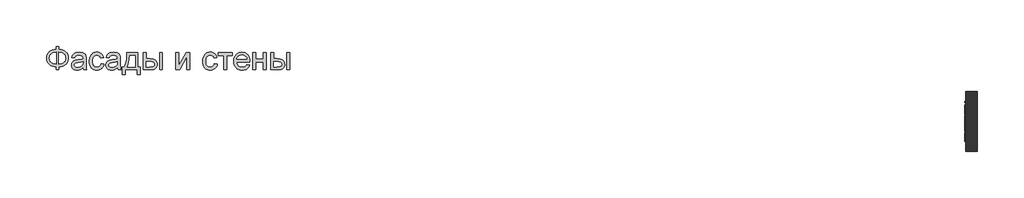
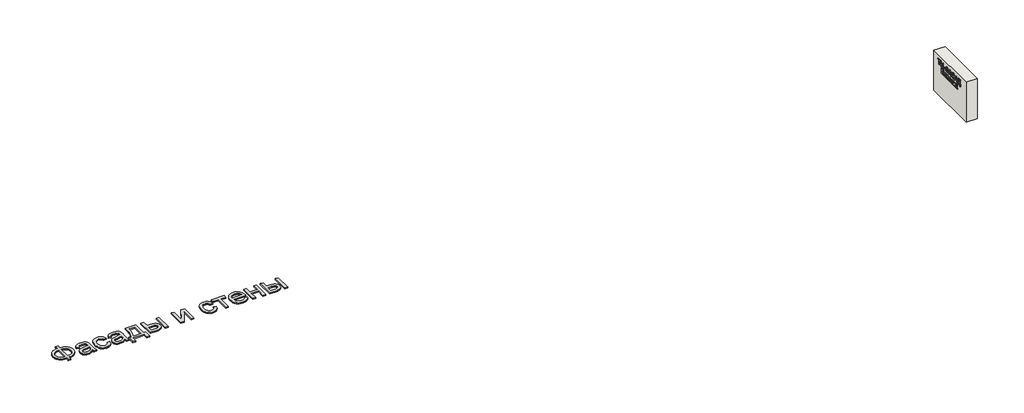
# One storey: 2 proxies, 1 wall.
"""IFC4 building model written with IfcOpenShell, lengths in millimetres."""

from ifc_helpers import new_model, si_unit, frame, origin, origin_with_axes, place, context, project, spatial, polyline, outline, extrude, element, save

model = new_model("IFC4")

# Units and contexts
model_context = context("Model", 3, world=origin())
ifc_project = project(units=[si_unit("LENGTHUNIT", "METRE", prefix="MILLI")], contexts=[model_context])

# Site, building, storey
site = spatial("IfcSite", under=ifc_project)
building = spatial("IfcBuilding", under=site)
storey = spatial("IfcBuildingStorey", under=building, Elevation=0.0)

# Proxies
placement = place(None, origin())
element("IfcBuildingElementProxy", 1, Name="Generic Models", at=placement, inside=storey, context=model_context, shape_type="SweptSolid", body=[
    extrude(outline(polyline([(-1939.8736325, -20885.7211043), (-1939.8736325, -20787.7817103), (-1841.9342386, -20787.7817103), (-1841.9342386, -20885.7211043), (-1772.0723186, -20894.3529698), (-1709.9695132, -20912.2144755), (-1655.6258224, -20939.3056213), (-1609.0412461, -20975.6264073), (-1571.6743546, -21019.0607113), (-1544.9837177, -21067.4924111), (-1528.9693356, -21120.9215067), (-1523.6312083, -21179.3479982), (-1528.8019587, -21236.6028514), (-1544.3142102, -21289.3863505), (-1570.1679625, -21337.6984954), (-1606.3632158, -21381.5392861), (-1628.1416397, -21401.1761824), (-1652.1109076, -21418.4817577), (-1706.6219753, -21446.0989452), (-1769.896419, -21464.3908486), (-1841.9342386, -21473.3574679), (-1841.9342386, -21571.2968619), (-1939.8736325, -21571.2968619), (-1939.8736325, -21473.3574679), (-2005.3060425, -21466.0586398), (-2065.0237272, -21449.518216), (-2119.0266865, -21423.7361966), (-2167.3149204, -21388.7125816), (-2207.0669327, -21345.8939854), (-2222.6837947, -21322.10405), (-2235.4612272, -21296.7270228), (-2245.3992303, -21269.7629041), (-2252.4978039, -21241.2116938), (-2258.1766628, -21179.3479982), (-2252.5157371, -21117.2033486), (-2245.4395801, -21088.5878775), (-2235.5329602, -21061.6103088), (-2222.7958774, -21036.2706426), (-2207.2283318, -21012.5688789), (-2188.8303234, -20990.5050176), (-2167.6018522, -20970.0790588), (-2119.4032845, -20935.3961753), (-2065.382392, -20909.775555), (-2005.5391746, -20893.217198), (-1939.8736325, -20885.7211043)]), holes=[polyline([(-1841.9342386, -20983.6604982), (-1841.9342386, -21375.418074), (-1793.3949393, -21370.2234125), (-1750.3073446, -21359.2303372), (-1712.6714545, -21342.4388481), (-1680.4872689, -21319.8489452), (-1654.7112272, -21291.9627591), (-1636.2997689, -21259.2824206), (-1625.2528939, -21221.8079296), (-1621.5706022, -21179.5392861), (-1625.1871387, -21137.922217), (-1636.036748, -21100.872146), (-1654.1194303, -21068.389073), (-1679.4351855, -21040.4729982), (-1711.2905951, -21017.6977852), (-1748.9922405, -21000.6372975), (-1792.5401216, -20989.2915352), (-1841.9342386, -20983.6604982)]), polyline([(-1939.8736325, -20983.6604982), (-1986.781007, -20988.5861611), (-2028.989873, -20999.3461043), (-2066.5002305, -21015.9403278), (-2099.3120795, -21038.3688316), (-2125.9668498, -21066.2012179), (-2145.0059715, -21099.0070891), (-2156.4294445, -21136.7864452), (-2160.2372689, -21179.5392861), (-2156.4772665, -21221.9035735), (-2145.1972594, -21259.4737085), (-2126.3972476, -21292.2496909), (-2100.077231, -21320.231521), (-2067.5044919, -21342.8692459), (-2029.9463124, -21359.612913), (-1987.4026926, -21370.4625224), (-1939.8736325, -21375.418074), (-1939.8736325, -20983.6604982)])]), origin_with_axes(), (0.0, 0.0, 1.0), 40.0),
    extrude(outline(polyline([(-1033.9342386, -21497.8423164), (-1080.7280359, -21537.964949), (-1104.6449985, -21552.8256261), (-1128.9086704, -21564.2192103), (-1179.5760473, -21578.7092672), (-1233.8300719, -21583.5392861), (-1277.4377305, -21580.6341014), (-1315.677373, -21571.9185475), (-1348.5489995, -21557.3926242), (-1376.0526098, -21537.0563316), (-1397.7697618, -21512.2008628), (-1413.2820132, -21484.1174111), (-1422.589364, -21452.8059764), (-1425.6918143, -21418.2665588), (-1421.0052613, -21377.6657066), (-1406.9456022, -21340.7949679), (-1385.2583389, -21309.2324679), (-1357.6889734, -21284.5563316), (-1325.2895889, -21265.9057634), (-1289.1122689, -21252.4199679), (-1204.3717386, -21237.6908013), (-1104.232534, -21222.1964831), (-1034.5081022, -21204.0241346), (-1033.9342386, -21182.2173164), (-1035.619963, -21158.4737085), (-1040.6771363, -21138.5080361), (-1049.1057585, -21122.3202994), (-1060.9058295, -21109.9104982), (-1081.3018996, -21097.5246081), (-1106.1454128, -21088.6775437), (-1135.4363693, -21083.369305), (-1169.1747689, -21081.5998922), (-1227.5175719, -21086.3103562), (-1250.0895416, -21092.1984362), (-1268.2618901, -21100.4417482), (-1283.1943001, -21111.6858888), (-1296.0464545, -21126.5764547), (-1306.8183532, -21145.1134457), (-1315.5099961, -21167.2968619), (-1413.4493901, -21155.0544376), (-1396.4486799, -21101.4938316), (-1384.810008, -21079.0175058), (-1371.0791249, -21059.4104982), (-1354.6642338, -21042.2782776), (-1334.9735378, -21027.2263126), (-1312.0070369, -21014.2546033), (-1285.764731, -21003.3631497), (-1225.5807821, -20988.5861611), (-1156.5497689, -20983.6604982), (-1090.3402518, -20988.0122975), (-1037.8556401, -21001.0676952), (-998.2829602, -21020.6986138), (-970.8092386, -21044.7769755), (-952.5890681, -21074.5461516), (-940.7770416, -21111.2495134), (-937.1903939, -21145.1074679), (-935.9948446, -21196.9464831), (-935.9948446, -21318.7968619), (-934.7514734, -21424.9377236), (-931.0213598, -21488.94743), (-923.6567764, -21531.0068524), (-911.5099961, -21571.2968619), (-1009.4493901, -21571.2968619), (-1025.1349961, -21537.2476194), (-1033.9342386, -21497.8423164)]), holes=[polyline([(-1033.9342386, -21301.9635285), (-1099.7372689, -21318.2708202), (-1191.9380264, -21331.9957255), (-1242.7488693, -21339.5037747), (-1276.2003371, -21347.8726194), (-1298.1267102, -21358.7282066), (-1314.3622689, -21373.6964831), (-1324.4048825, -21391.6297217), (-1327.7524204, -21411.3801952), (-1325.9292078, -21426.599537), (-1320.45957, -21440.5037747), (-1311.343507, -21453.0929083), (-1298.5810189, -21464.3669376), (-1282.2916604, -21473.6563552), (-1262.5949867, -21480.2916535), (-1212.9796931, -21485.5998922), (-1160.3755264, -21479.7417009), (-1136.3688977, -21472.4189618), (-1113.8925719, -21462.167127), (-1076.2088598, -21436.2715304), (-1050.0024204, -21405.450271), (-1038.3816818, -21373.6964831), (-1034.5081022, -21329.700271), (-1033.9342386, -21301.9635285)])]), origin_with_axes(), (0.0, 0.0, 1.0), 40.0),
    extrude(outline(polyline([(-434.0554507, -21363.1756497), (-336.1160568, -21375.418074), (-346.7684005, -21421.6320299), (-363.4224014, -21462.5257918), (-386.0780596, -21498.0993595), (-414.7353749, -21528.3527331), (-448.1868427, -21552.49685), (-485.2249583, -21569.7426478), (-525.8497215, -21580.0901265), (-570.0611325, -21583.5392861), (-624.9906425, -21578.7272004), (-674.2412935, -21564.2909433), (-717.8130856, -21540.2305148), (-755.7060189, -21506.5459149), (-786.3778347, -21463.8707847), (-808.2862746, -21412.8387653), (-821.4313385, -21353.4498567), (-825.8130264, -21285.7040588), (-823.9419919, -21240.6736966), (-818.3288882, -21198.5485191), (-808.9737154, -21159.3285262), (-795.8764734, -21123.0137179), (-778.9474961, -21090.3333794), (-758.0971174, -21062.0167956), (-733.3253371, -21038.0639665), (-704.6321552, -21018.4748922), (-673.3147428, -21003.2435948), (-640.6702708, -20992.3640967), (-606.698739, -20985.8363978), (-571.4001477, -20983.6604982), (-527.9479104, -20986.6493713), (-488.6442291, -20995.6159906), (-453.4891036, -21010.5603562), (-422.482534, -21031.4824679), (-396.150562, -21057.9041062), (-375.0192291, -21089.3470513), (-359.0885354, -21125.8113031), (-348.358481, -21167.2968619), (-446.2978749, -21179.5392861), (-453.9434123, -21156.6624513), (-464.0637367, -21136.8103562), (-476.6588479, -21119.9830006), (-491.7287461, -21106.1803846), (-508.8908555, -21095.4264192), (-527.7626003, -21087.7450153), (-548.3439805, -21083.1361729), (-570.6349961, -21081.5998922), (-603.9131093, -21084.6246317), (-633.927373, -21093.6988505), (-660.6777873, -21108.8225484), (-684.1643522, -21129.9957255), (-703.2871623, -21157.7085569), (-716.9463124, -21192.4512179), (-725.1418025, -21234.2237085), (-727.8736325, -21283.0260285), (-725.20158, -21332.5636114), (-717.1854223, -21374.8202994), (-703.8251595, -21409.7960924), (-685.1207916, -21437.4909906), (-662.1004909, -21458.5386351), (-635.7924299, -21473.5726668), (-606.1966084, -21482.5930858), (-573.3130264, -21485.5998922), (-546.8136775, -21483.7228799), (-522.5978276, -21478.0918429), (-500.6654767, -21468.7067814), (-481.0166249, -21455.5676952), (-464.2012248, -21438.5311185), (-450.7692291, -21417.4535853), (-440.7206377, -21392.3350958), (-434.0554507, -21363.1756497)])), origin_with_axes(), (0.0, 0.0, 1.0), 40.0),
    extrude(outline(polyline([(116.8536402, -21497.8423164), (70.0598429, -21537.964949), (46.1428803, -21552.8256261), (21.8792084, -21564.2192103), (-28.7881685, -21578.7092672), (-83.0421931, -21583.5392861), (-126.6498517, -21580.6341014), (-164.8894943, -21571.9185475), (-197.7611207, -21557.3926242), (-225.264731, -21537.0563316), (-246.981883, -21512.2008628), (-262.4941344, -21484.1174111), (-271.8014853, -21452.8059764), (-274.9039355, -21418.2665588), (-270.2173825, -21377.6657066), (-256.1577234, -21340.7949679), (-234.4704602, -21309.2324679), (-206.9010946, -21284.5563316), (-174.5017102, -21265.9057634), (-138.3243901, -21252.4199679), (-53.5838598, -21237.6908013), (46.5553448, -21222.1964831), (116.2797766, -21204.0241346), (116.8536402, -21182.2173164), (115.1679158, -21158.4737085), (110.1107425, -21138.5080361), (101.6821203, -21122.3202994), (89.8820493, -21109.9104982), (69.4859792, -21097.5246081), (44.642466, -21088.6775437), (15.3515095, -21083.369305), (-18.3868901, -21081.5998922), (-76.7296931, -21086.3103562), (-99.3016628, -21092.1984362), (-117.4740113, -21100.4417482), (-132.4064213, -21111.6858888), (-145.2585757, -21126.5764547), (-156.0304744, -21145.1134457), (-164.7221174, -21167.2968619), (-262.6615113, -21155.0544376), (-245.6608011, -21101.4938316), (-234.0221292, -21079.0175058), (-220.2912461, -21059.4104982), (-203.876355, -21042.2782776), (-184.185659, -21027.2263126), (-161.2191581, -21014.2546033), (-134.9768522, -21003.3631497), (-74.7929033, -20988.5861611), (-5.7618901, -20983.6604982), (60.447627, -20988.0122975), (112.9322387, -21001.0676952), (152.5049186, -21020.6986138), (179.9786402, -21044.7769755), (198.1988107, -21074.5461516), (210.0108372, -21111.2495134), (213.5974849, -21145.1074679), (214.7930342, -21196.9464831), (214.7930342, -21318.7968619), (216.0364054, -21424.9377236), (219.766519, -21488.94743), (227.1311023, -21531.0068524), (239.2778826, -21571.2968619), (141.3384887, -21571.2968619), (125.6528826, -21537.2476194), (116.8536402, -21497.8423164)]), holes=[polyline([(116.8536402, -21301.9635285), (51.0506099, -21318.2708202), (-41.1501477, -21331.9957255), (-91.9609905, -21339.5037747), (-125.4124583, -21347.8726194), (-147.3388314, -21358.7282066), (-163.5743901, -21373.6964831), (-173.6170037, -21391.6297217), (-176.9645416, -21411.3801952), (-175.141329, -21426.599537), (-169.6716912, -21440.5037747), (-160.5556282, -21453.0929083), (-147.7931401, -21464.3669376), (-131.5037817, -21473.6563552), (-111.8071079, -21480.2916535), (-62.1918143, -21485.5998922), (-9.5876477, -21479.7417009), (14.4189811, -21472.4189618), (36.8953069, -21462.167127), (74.579019, -21436.2715304), (100.7854584, -21405.450271), (112.406197, -21373.6964831), (116.2797766, -21329.700271), (116.8536402, -21301.9635285)])]), origin_with_axes(), (0.0, 0.0, 1.0), 40.0),
    extrude(outline(polyline([(435.1566705, -20995.9029225), (802.4293978, -20995.9029225), (802.4293978, -21473.3574679), (875.8839432, -21473.3574679), (875.8839432, -21730.448377), (777.9445493, -21730.448377), (777.9445493, -21571.2968619), (373.9445493, -21571.2968619), (373.9445493, -21730.448377), (276.0051554, -21730.448377), (276.0051554, -21473.3574679), (337.2172766, -21473.3574679), (361.1342392, -21436.3970631), (381.7156194, -21392.9448259), (398.9614172, -21343.0007563), (412.8716326, -21286.5648543), (423.4462657, -21223.6371199), (430.6853164, -21154.2175531), (434.5887846, -21078.306154), (435.1566705, -20995.9029225)]), holes=[polyline([(520.8536402, -21093.8423164), (512.8195493, -21213.7559054), (497.8990948, -21316.979627), (476.0922766, -21403.5134812), (462.6064811, -21440.521708), (447.3990948, -21473.3574679), (704.4900039, -21473.3574679), (704.4900039, -21093.8423164), (520.8536402, -21093.8423164)])]), origin_with_axes(), (0.0, 0.0, 1.0), 40.0),
    extrude(outline(polyline([(986.0657614, -20995.9029225), (1084.0051554, -20995.9029225), (1084.0051554, -21204.0241346), (1205.0903826, -21204.0241346), (1260.8089551, -21207.0907184), (1309.7487633, -21216.2904698), (1351.9098074, -21231.6233888), (1387.2920872, -21253.0894755), (1415.2858727, -21279.9474892), (1435.2814338, -21311.4561895), (1447.2787704, -21347.6155763), (1451.2778826, -21388.4256497), (1447.924367, -21424.8361019), (1437.8638201, -21458.5087463), (1421.096242, -21489.443583), (1397.6216326, -21517.6406119), (1366.7824399, -21541.1152212), (1327.9211118, -21557.8827994), (1281.0376483, -21567.9433462), (1226.1320493, -21571.2968619), (986.0657614, -21571.2968619), (986.0657614, -20995.9029225)]), holes=[polyline([(1084.0051554, -21473.3574679), (1184.6225796, -21473.3574679), (1262.6202122, -21468.2166062), (1291.8274802, -21461.790529), (1314.5070493, -21452.794021), (1331.495804, -21441.0716606), (1343.6306289, -21426.4680266), (1350.9115237, -21408.983119), (1353.3384887, -21388.6169376), (1351.5391871, -21372.1542245), (1346.1412823, -21356.6240399), (1337.1447742, -21342.0263836), (1324.5496629, -21328.3612558), (1305.8094286, -21316.8122501), (1278.3775512, -21308.5629603), (1242.2540308, -21303.6133865), (1197.4388675, -21301.9635285), (1084.0051554, -21301.9635285), (1084.0051554, -21473.3574679)])]), origin_with_axes(), (0.0, 0.0, 1.0), 40.0),
    extrude(outline(polyline([(1524.7324281, -20995.9029225), (1622.671822, -20995.9029225), (1622.671822, -21571.2968619), (1524.7324281, -21571.2968619), (1524.7324281, -20995.9029225)])), origin_with_axes(), (0.0, 0.0, 1.0), 40.0),
    extrude(outline(polyline([(2075.641519, -20995.9029225), (2173.5809129, -20995.9029225), (2173.5809129, -21434.7173164), (2414.2210645, -20995.9029225), (2540.8536402, -20995.9029225), (2540.8536402, -21571.2968619), (2442.9142463, -21571.2968619), (2442.9142463, -21135.1604982), (2203.8043978, -21571.2968619), (2075.641519, -21571.2968619), (2075.641519, -20995.9029225)])), origin_with_axes(), (0.0, 0.0, 1.0), 40.0),
    extrude(outline(polyline([(3361.0960645, -21363.1756497), (3459.0354584, -21375.418074), (3448.3831147, -21421.6320299), (3431.7291137, -21462.5257918), (3409.0734556, -21498.0993595), (3380.4161402, -21528.3527331), (3346.9646724, -21552.49685), (3309.9265569, -21569.7426478), (3269.3017936, -21580.0901265), (3225.0903826, -21583.5392861), (3170.1608727, -21578.7272004), (3120.9102217, -21564.2909433), (3077.3384295, -21540.2305148), (3039.4454963, -21506.5459149), (3008.7736805, -21463.8707847), (2986.8652406, -21412.8387653), (2973.7201767, -21353.4498567), (2969.3384887, -21285.7040588), (2971.2095233, -21240.6736966), (2976.822627, -21198.5485191), (2986.1777998, -21159.3285262), (2999.2750417, -21123.0137179), (3016.204019, -21090.3333794), (3037.0543978, -21062.0167956), (3061.8261781, -21038.0639665), (3090.5193599, -21018.4748922), (3121.8367723, -21003.2435948), (3154.4812444, -20992.3640967), (3188.4527761, -20985.8363978), (3223.7513675, -20983.6604982), (3267.2036047, -20986.6493713), (3306.5072861, -20995.6159906), (3341.6624115, -21010.5603562), (3372.6689811, -21031.4824679), (3399.0009532, -21057.9041062), (3420.1322861, -21089.3470513), (3436.0629797, -21125.8113031), (3446.7930342, -21167.2968619), (3348.8536402, -21179.5392861), (3341.2081028, -21156.6624513), (3331.0877785, -21136.8103562), (3318.4926672, -21119.9830006), (3303.422769, -21106.1803846), (3286.2606596, -21095.4264192), (3267.3889148, -21087.7450153), (3246.8075346, -21083.1361729), (3224.516519, -21081.5998922), (3191.2384058, -21084.6246317), (3161.2241421, -21093.6988505), (3134.4737278, -21108.8225484), (3110.9871629, -21129.9957255), (3091.8643528, -21157.7085569), (3078.2052027, -21192.4512179), (3070.0097127, -21234.2237085), (3067.2778826, -21283.0260285), (3069.9499352, -21332.5636114), (3077.9660929, -21374.8202994), (3091.3263557, -21409.7960924), (3110.0307236, -21437.4909906), (3133.0510242, -21458.5386351), (3159.3590853, -21473.5726668), (3188.9549068, -21482.5930858), (3221.8384887, -21485.5998922), (3248.3378377, -21483.7228799), (3272.5536876, -21478.0918429), (3294.4860384, -21468.7067814), (3314.1348902, -21455.5676952), (3330.9502903, -21438.5311185), (3344.3822861, -21417.4535853), (3354.4308774, -21392.3350958), (3361.0960645, -21363.1756497)])), origin_with_axes(), (0.0, 0.0, 1.0), 40.0),
    extrude(outline(polyline([(3495.7627311, -20995.9029225), (3960.9748523, -20995.9029225), (3960.9748523, -21093.8423164), (3777.3384887, -21093.8423164), (3777.3384887, -21571.2968619), (3679.3990948, -21571.2968619), (3679.3990948, -21093.8423164), (3495.7627311, -21093.8423164), (3495.7627311, -20995.9029225)])), origin_with_axes(), (0.0, 0.0, 1.0), 40.0),
    extrude(outline(polyline([(4449.5240948, -21399.9029225), (4545.5506099, -21412.1453467), (4530.827421, -21450.6061658), (4510.9514148, -21484.4999869), (4485.9225914, -21513.8268098), (4455.7409508, -21538.5866346), (4420.7173358, -21558.2534196), (4381.1625891, -21572.3011232), (4337.0767108, -21580.7297454), (4288.4597008, -21583.5392861), (4227.6899328, -21578.6913339), (4173.5435076, -21564.1474774), (4126.0204253, -21539.9077165), (4085.1206857, -21505.9720513), (4052.231126, -21463.2849656), (4028.7385834, -21412.7909433), (4014.6430578, -21354.4899845), (4009.9445493, -21288.3820891), (4014.6908798, -21220.0325389), (4028.9298713, -21159.7888126), (4052.6615237, -21107.6509102), (4085.8858372, -21063.6188316), (4126.6779773, -21028.6370607), (4173.1131099, -21003.6500816), (4225.1912349, -20988.6578941), (4282.9123523, -20983.6604982), (4338.7743907, -20988.6459386), (4389.2923239, -21003.6022596), (4434.4661521, -21028.5294613), (4474.2958751, -21063.4275437), (4506.8088367, -21107.3639783), (4530.0323807, -21159.4062369), (4543.9665072, -21219.5543192), (4548.611216, -21287.8082255), (4548.0373523, -21314.2059528), (4107.8839432, -21314.2059528), (4113.5568244, -21353.2884575), (4124.8368315, -21387.5170323), (4141.7239646, -21416.8916772), (4164.2182236, -21441.4123922), (4191.0762373, -21460.7444234), (4221.0546345, -21474.5530172), (4254.1534153, -21482.8381734), (4290.3725796, -21485.5998922), (4342.4985266, -21480.4829414), (4386.3990948, -21465.1320891), (4405.2648618, -21453.3798401), (4422.0742842, -21438.590896), (4436.8273618, -21420.7652567), (4449.5240948, -21399.9029225)]), holes=[polyline([(4107.8839432, -21216.2665588), (4450.671822, -21216.2665588), (4445.6385597, -21188.5537274), (4437.4251364, -21164.5231876), (4426.0315522, -21144.1749395), (4411.4578069, -21127.5089831), (4384.7492368, -21107.4237558), (4354.3583751, -21093.0771649), (4320.2852217, -21084.4692103), (4282.5297766, -21081.5998922), (4248.0919807, -21083.889369), (4216.5115474, -21090.7577994), (4187.7884769, -21102.2051834), (4161.922769, -21118.231521), (4140.2175725, -21138.0955716), (4123.9760361, -21161.0560948), (4113.1981596, -21187.1130906), (4107.8839432, -21216.2665588)])]), origin_with_axes(), (0.0, 0.0, 1.0), 40.0),
    extrude(outline(polyline([(4646.5506099, -20995.9029225), (4744.4900039, -20995.9029225), (4744.4900039, -21216.2665588), (5001.5809129, -21216.2665588), (5001.5809129, -20995.9029225), (5099.5203069, -20995.9029225), (5099.5203069, -21571.2968619), (5001.5809129, -21571.2968619), (5001.5809129, -21314.2059528), (4744.4900039, -21314.2059528), (4744.4900039, -21571.2968619), (4646.5506099, -21571.2968619), (4646.5506099, -20995.9029225)])), origin_with_axes(), (0.0, 0.0, 1.0), 40.0),
    extrude(outline(polyline([(5246.4293978, -20995.9029225), (5344.3687917, -20995.9029225), (5344.3687917, -21204.0241346), (5465.454019, -21204.0241346), (5521.1725914, -21207.0907184), (5570.1123997, -21216.2904698), (5612.2734437, -21231.6233888), (5647.6557236, -21253.0894755), (5675.6495091, -21279.9474892), (5695.6450701, -21311.4561895), (5707.6424068, -21347.6155763), (5711.641519, -21388.4256497), (5708.2880034, -21424.8361019), (5698.2274565, -21458.5087463), (5681.4598784, -21489.443583), (5657.985269, -21517.6406119), (5627.1460763, -21541.1152212), (5588.2847482, -21557.8827994), (5541.4012846, -21567.9433462), (5486.4956857, -21571.2968619), (5246.4293978, -21571.2968619), (5246.4293978, -20995.9029225)]), holes=[polyline([(5344.3687917, -21473.3574679), (5444.986216, -21473.3574679), (5522.9838486, -21468.2166062), (5552.1911165, -21461.790529), (5574.8706857, -21452.794021), (5591.8594404, -21441.0716606), (5603.9942652, -21426.4680266), (5611.2751601, -21408.983119), (5613.7021251, -21388.6169376), (5611.9028235, -21372.1542245), (5606.5049186, -21356.6240399), (5597.5084106, -21342.0263836), (5584.9132993, -21328.3612558), (5566.1730649, -21316.8122501), (5538.7411876, -21308.5629603), (5502.6176672, -21303.6133865), (5457.8025039, -21301.9635285), (5344.3687917, -21301.9635285), (5344.3687917, -21473.3574679)])]), origin_with_axes(), (0.0, 0.0, 1.0), 40.0),
    extrude(outline(polyline([(5785.0960645, -20995.9029225), (5883.0354584, -20995.9029225), (5883.0354584, -21571.2968619), (5785.0960645, -21571.2968619), (5785.0960645, -20995.9029225)])), origin_with_axes(), (0.0, 0.0, 1.0), 40.0),
])
element("IfcBuildingElementProxy", 2, Name="Generic Models", at=placement, inside=storey, context=model_context, shape_type="SweptSolid", body=[
    extrude(outline(polyline([(-22641.3968391, 1181.1112414), (-22666.0122237, 1181.1112414), (-22666.0122237, 1353.4189337), (-22730.6276083, 1353.4189337), (-22730.6276083, 1378.0343184), (-22576.7814545, 1378.0343184), (-22576.7814545, 1353.4189337), (-22641.3968391, 1353.4189337), (-22641.3968391, 1181.1112414)])), frame((28486.3955952, 0.0, 0.0), z_axis=(1.0, 0.0, 0.0), x_axis=(0.0, 1.0, 0.0)), (0.0, 0.0, 1.0), 20.0),
    extrude(outline(polyline([(-22758.319916, 1181.1112414), (-22782.9353006, 1181.1112414), (-22782.9353006, 1273.4189337), (-22887.5506853, 1273.4189337), (-22887.5506853, 1181.1112414), (-22912.1660699, 1181.1112414), (-22912.1660699, 1378.0343184), (-22887.5506853, 1378.0343184), (-22887.5506853, 1298.0343184), (-22782.9353006, 1298.0343184), (-22782.9353006, 1378.0343184), (-22758.319916, 1378.0343184), (-22758.319916, 1181.1112414)])), frame((28486.3955952, 0.0, 0.0), z_axis=(1.0, 0.0, 0.0), x_axis=(0.0, 1.0, 0.0)), (0.0, 0.0, 1.0), 20.0),
    extrude(outline(polyline([(28486.3955952, -23016.7814545), (28486.3955952, -22939.8583776), (28506.3955952, -22939.8583776), (28506.3955952, -23016.7814545), (28486.3955952, -23016.7814545)])), frame((0.0, 0.0, 1239.5727799), z_axis=(0.0, 0.0, 1.0), x_axis=(1.0, 0.0, 0.0)), (0.0, 0.0, 1.0), 24.6153846),
    extrude(outline(polyline([(-23118.319916, 1353.4189337), (-23086.7754449, 1347.3732607), (-23061.0843391, 1332.2170107), (-23051.124904, 1321.5379241), (-23044.0110218, 1309.212203), (-23038.319916, 1279.6208568), (-23044.0290506, 1250.1196549), (-23051.1654689, 1237.7623833), (-23061.1564545, 1227.0006645), (-23086.8655891, 1211.7182126), (-23118.319916, 1205.726626), (-23118.319916, 1181.1112414), (-23142.9353006, 1181.1112414), (-23142.9353006, 1205.726626), (-23176.9437141, 1212.5775876), (-23202.1420314, 1228.8035491), (-23217.7369833, 1251.9646068), (-23222.9353006, 1279.6208568), (-23217.5687141, 1307.7338376), (-23201.4689545, 1330.8227799), (-23176.102368, 1346.7602799), (-23142.9353006, 1353.4189337), (-23142.9353006, 1378.0343184), (-23118.319916, 1378.0343184), (-23118.319916, 1353.4189337)]), holes=[polyline([(-23118.319916, 1328.8035491), (-23118.319916, 1230.3420107), (-23095.6816949, 1234.3143664), (-23078.055493, 1244.212203), (-23066.7153487, 1259.4826357), (-23062.9353006, 1279.5727799), (-23066.7634256, 1299.8131645), (-23078.2478006, 1315.0535491), (-23095.9220795, 1324.8612414), (-23118.319916, 1328.8035491)]), polyline([(-23142.9353006, 1328.8035491), (-23166.2946756, 1324.5367222), (-23183.7766468, 1314.524703), (-23194.6840987, 1299.3444145), (-23198.319916, 1279.5727799), (-23194.617993, 1259.5307126), (-23183.5122237, 1244.3083568), (-23165.9641468, 1234.4105203), (-23142.9353006, 1230.3420107), (-23142.9353006, 1328.8035491)])]), frame((28486.3955952, 0.0, 0.0), z_axis=(1.0, 0.0, 0.0), x_axis=(0.0, 1.0, 0.0)), (0.0, 0.0, 1.0), 20.0),
    extrude(outline(polyline([(-23233.8487622, 1181.1112414), (-23259.8583776, 1181.1112414), (-23282.3583776, 1242.649703), (-23363.4641468, 1242.649703), (-23386.0122237, 1181.1112414), (-23412.0218391, 1181.1112414), (-23333.4160699, 1378.0343184), (-23312.4545314, 1378.0343184), (-23233.8487622, 1181.1112414)]), holes=[polyline([(-23291.3968391, 1267.2650876), (-23310.6756853, 1319.9093184), (-23322.9353006, 1353.4189337), (-23336.7333776, 1315.6785491), (-23354.4737622, 1267.2650876), (-23291.3968391, 1267.2650876)])]), frame((28486.3955952, 0.0, 0.0), z_axis=(1.0, 0.0, 0.0), x_axis=(0.0, 1.0, 0.0)), (0.0, 0.0, 1.0), 20.0),
    extrude(outline(polyline([(-23576.7814545, 1251.1112414), (-23568.8187141, 1230.0295107), (-23555.8920314, 1214.8612414), (-23538.7706372, 1205.7025876), (-23518.2237622, 1202.649703), (-23500.5975603, 1204.8912895), (-23484.257416, 1211.6160491), (-23470.6276083, 1222.8720587), (-23461.132416, 1238.7073953), (-23455.5615026, 1258.3708568), (-23453.7045314, 1281.1112414), (-23455.273041, 1299.680953), (-23459.9785699, 1317.6977799), (-23468.554291, 1333.6352799), (-23481.7333776, 1345.9670107), (-23499.101166, 1353.8636453), (-23520.242993, 1356.4958568), (-23538.5843391, 1354.1220587), (-23553.5122237, 1347.0006645), (-23565.1708776, 1334.6869626), (-23573.7045314, 1316.7362414), (-23598.319916, 1322.601626), (-23587.4485218, 1347.3131645), (-23570.507416, 1365.774703), (-23548.1937141, 1377.2771068), (-23521.2045314, 1381.1112414), (-23496.4689545, 1378.148501), (-23473.8968391, 1369.2602799), (-23454.8643872, 1354.6629241), (-23440.7478006, 1334.5727799), (-23432.0038103, 1309.7771068), (-23429.0891468, 1281.0631645), (-23431.6672718, 1253.8396068), (-23439.4016468, 1228.4189337), (-23452.069916, 1206.7963376), (-23469.4497237, 1190.9670107), (-23492.1240026, 1181.2674914), (-23520.6756853, 1178.0343184), (-23548.8006853, 1182.3071549), (-23572.2141468, 1195.1256645), (-23590.038666, 1216.0811934), (-23601.3968391, 1244.7650876), (-23576.7814545, 1251.1112414)])), frame((28486.3955952, 0.0, 0.0), z_axis=(1.0, 0.0, 0.0), x_axis=(0.0, 1.0, 0.0)), (0.0, 0.0, 1.0), 20.0),
    extrude(outline(polyline([(-23612.3103006, 1181.1112414), (-23638.319916, 1181.1112414), (-23660.819916, 1242.649703), (-23741.9256853, 1242.649703), (-23764.4737622, 1181.1112414), (-23790.4833776, 1181.1112414), (-23711.8776083, 1378.0343184), (-23690.9160699, 1378.0343184), (-23612.3103006, 1181.1112414)]), holes=[polyline([(-23669.8583776, 1267.2650876), (-23689.1372237, 1319.9093184), (-23701.3968391, 1353.4189337), (-23715.194916, 1315.6785491), (-23732.9353006, 1267.2650876), (-23669.8583776, 1267.2650876)])]), frame((28486.3955952, 0.0, 0.0), z_axis=(1.0, 0.0, 0.0), x_axis=(0.0, 1.0, 0.0)), (0.0, 0.0, 1.0), 20.0),
    extrude(outline(polyline([(-23835.242993, 1378.0343184), (-23835.242993, 1349.524703), (-23833.7045314, 1299.9543905), (-23829.0891468, 1259.4646068), (-23821.3968391, 1228.055352), (-23810.6276083, 1205.726626), (-23795.242993, 1205.726626), (-23795.242993, 1134.9573953), (-23819.8583776, 1134.9573953), (-23819.8583776, 1181.1112414), (-23946.0122237, 1181.1112414), (-23946.0122237, 1134.9573953), (-23970.6276083, 1134.9573953), (-23970.6276083, 1205.726626), (-23952.1660699, 1205.726626), (-23952.1660699, 1378.0343184), (-23835.242993, 1378.0343184)]), holes=[polyline([(-23927.5506853, 1353.4189337), (-23927.5506853, 1205.726626), (-23835.242993, 1205.726626), (-23847.4545314, 1237.0847991), (-23854.8583776, 1276.0631645), (-23859.8583776, 1343.5150876), (-23859.8583776, 1353.4189337), (-23927.5506853, 1353.4189337)])]), frame((28486.3955952, 0.0, 0.0), z_axis=(1.0, 0.0, 0.0), x_axis=(0.0, 1.0, 0.0)), (0.0, 0.0, 1.0), 20.0),
    extrude(outline(polyline([(-22786.0122237, 1134.9573953), (-22786.0122237, 938.0343184), (-22810.6276083, 938.0343184), (-22810.6276083, 1030.3420107), (-22824.9004449, 1028.3768664), (-22836.2766468, 1022.4814337), (-22860.9160699, 993.5150876), (-22895.9160699, 938.0343184), (-22924.4737622, 938.0343184), (-22883.0795314, 1003.7073953), (-22864.3415506, 1026.9045107), (-22845.3391468, 1038.0343184), (-22862.3343391, 1048.226626), (-22879.7622237, 1079.0920107), (-22894.3776083, 1104.4285491), (-22902.3343391, 1108.8636453), (-22913.6083776, 1110.3420107), (-22919.0410699, 1110.1977799), (-22924.4737622, 1110.0535491), (-22924.4737622, 1134.6689337), (-22908.319916, 1134.9573953), (-22886.3247237, 1129.4285491), (-22870.9401083, 1115.7987414), (-22857.3583776, 1088.274703), (-22846.9316949, 1066.8143664), (-22838.1516468, 1055.3179722), (-22827.2922718, 1050.4321549), (-22810.6276083, 1048.8035491), (-22810.6276083, 1134.9573953), (-22786.0122237, 1134.9573953)])), frame((28486.3955952, 0.0, 0.0), z_axis=(1.0, 0.0, 0.0), x_axis=(0.0, 1.0, 0.0)), (0.0, 0.0, 1.0), 20.0),
    extrude(outline(polyline([(-22955.242993, 1082.649703), (-22955.242993, 990.4381645), (-22954.1372237, 968.9718184), (-22949.6901083, 964.164126), (-22938.5603006, 962.649703), (-22927.5506853, 962.649703), (-22927.5506853, 939.2843184), (-22947.5506853, 938.0343184), (-22959.9785699, 939.4706164), (-22969.0891468, 943.7795107), (-22978.1997237, 957.2170107), (-22979.8583776, 989.0439337), (-22979.8583776, 1058.0343184), (-23041.3968391, 1058.0343184), (-23041.3968391, 938.1785491), (-23066.0122237, 938.1785491), (-23066.0122237, 1082.649703), (-22955.242993, 1082.649703)])), frame((28486.3955952, 0.0, 0.0), z_axis=(1.0, 0.0, 0.0), x_axis=(0.0, 1.0, 0.0)), (0.0, 0.0, 1.0), 20.0),
    extrude(outline(polyline([(-23195.242993, 956.4958568), (-23201.3968391, 938.0343184), (-23226.0122237, 938.0343184), (-23221.1083776, 958.7314337), (-23219.8583776, 1001.4958568), (-23219.8583776, 1032.1208568), (-23218.6564545, 1053.6593184), (-23211.1083776, 1070.3660491), (-23194.257416, 1081.351626), (-23164.4256853, 1085.726626), (-23131.9497237, 1080.774703), (-23119.5819353, 1074.7771068), (-23110.507416, 1066.6881645), (-23099.8583776, 1042.649703), (-23124.4737622, 1039.5727799), (-23129.3655891, 1049.8071549), (-23136.3487622, 1056.3756645), (-23161.2526083, 1061.1112414), (-23177.0939545, 1059.3323953), (-23188.4641468, 1053.9958568), (-23193.5482814, 1046.8083568), (-23195.242993, 1035.8227799), (-23195.0987622, 1030.3420107), (-23152.4064545, 1021.8804722), (-23131.1083776, 1018.1785491), (-23113.8728006, 1010.101626), (-23101.492993, 995.9670107), (-23096.7814545, 976.4958568), (-23099.9004449, 959.945376), (-23109.257416, 946.6400876), (-23124.4316949, 937.8780684), (-23145.0026083, 934.9573953), (-23171.3728006, 939.8131645), (-23195.242993, 956.4958568)]), holes=[polyline([(-23195.242993, 1005.726626), (-23195.0987622, 998.7554722), (-23191.2045314, 979.7170107), (-23175.1468391, 965.462203), (-23163.4641468, 961.0451357), (-23150.242993, 959.5727799), (-23137.773041, 960.9069145), (-23128.7285699, 964.9093184), (-23123.2297718, 970.9069145), (-23121.3968391, 978.226626), (-23124.7622237, 987.6977799), (-23134.3535699, 994.1881645), (-23155.5314545, 998.1785491), (-23195.242993, 1005.726626)])]), frame((28486.3955952, 0.0, 0.0), z_axis=(1.0, 0.0, 0.0), x_axis=(0.0, 1.0, 0.0)), (0.0, 0.0, 1.0), 20.0),
    extrude(outline(polyline([(-23346.0122237, 990.3420107), (-23341.8115026, 976.7001837), (-23334.2093391, 967.1208568), (-23323.758618, 961.4597991), (-23311.0122237, 959.5727799), (-23295.3090987, 962.5956164), (-23282.9112622, 971.664126), (-23274.852368, 987.415328), (-23272.1660699, 1010.4862414), (-23274.9124641, 1033.2506645), (-23283.1516468, 1048.9477799), (-23295.7778487, 1058.070376), (-23311.6853006, 1061.1112414), (-23322.460541, 1059.5667703), (-23331.5170314, 1054.9333568), (-23338.4701564, 1047.2350395), (-23342.9353006, 1036.4958568), (-23367.5506853, 1039.5727799), (-23360.8499641, 1059.164126), (-23348.9208776, 1073.7073953), (-23332.2922718, 1082.7218184), (-23311.492993, 1085.726626), (-23294.0831372, 1083.539126), (-23278.007416, 1076.976626), (-23264.569916, 1066.0331164), (-23255.0747237, 1050.7025876), (-23249.4316949, 1031.7182126), (-23247.5506853, 1009.8131645), (-23251.9557333, 977.8600395), (-23265.1708776, 954.3083568), (-23285.6456372, 939.7951357), (-23311.8295314, 934.9573953), (-23333.1516468, 938.4249434), (-23350.867993, 948.8275876), (-23363.7646276, 965.3720587), (-23370.6276083, 987.2650876), (-23346.0122237, 990.3420107)])), frame((28486.3955952, 0.0, 0.0), z_axis=(1.0, 0.0, 0.0), x_axis=(0.0, 1.0, 0.0)), (0.0, 0.0, 1.0), 20.0),
    extrude(outline(polyline([(-23484.4737622, 990.3420107), (-23480.273041, 976.7001837), (-23472.6708776, 967.1208568), (-23462.2201564, 961.4597991), (-23449.4737622, 959.5727799), (-23433.7706372, 962.5956164), (-23421.3728006, 971.664126), (-23413.3139064, 987.415328), (-23410.6276083, 1010.4862414), (-23413.3740026, 1033.2506645), (-23421.6131853, 1048.9477799), (-23434.2393872, 1058.070376), (-23450.1468391, 1061.1112414), (-23460.9220795, 1059.5667703), (-23469.9785699, 1054.9333568), (-23476.9316949, 1047.2350395), (-23481.3968391, 1036.4958568), (-23506.0122237, 1039.5727799), (-23499.3115026, 1059.164126), (-23487.382416, 1073.7073953), (-23470.7538103, 1082.7218184), (-23449.9545314, 1085.726626), (-23432.5446756, 1083.539126), (-23416.4689545, 1076.976626), (-23403.0314545, 1066.0331164), (-23393.5362622, 1050.7025876), (-23387.8932333, 1031.7182126), (-23386.0122237, 1009.8131645), (-23390.4172718, 977.8600395), (-23403.632416, 954.3083568), (-23424.1071756, 939.7951357), (-23450.2910699, 934.9573953), (-23471.6131853, 938.4249434), (-23489.3295314, 948.8275876), (-23502.226166, 965.3720587), (-23509.0891468, 987.2650876), (-23484.4737622, 990.3420107)])), frame((28486.3955952, 0.0, 0.0), z_axis=(1.0, 0.0, 0.0), x_axis=(0.0, 1.0, 0.0)), (0.0, 0.0, 1.0), 20.0),
    extrude(outline(polyline([(-23530.6276083, 1082.649703), (-23530.6276083, 938.0343184), (-23562.8391468, 938.0343184), (-23622.9353006, 1047.649703), (-23622.9353006, 938.0343184), (-23647.5506853, 938.0343184), (-23647.5506853, 1082.649703), (-23615.7237622, 1082.649703), (-23555.242993, 972.3612414), (-23555.242993, 1082.649703), (-23530.6276083, 1082.649703)])), frame((28486.3955952, 0.0, 0.0), z_axis=(1.0, 0.0, 0.0), x_axis=(0.0, 1.0, 0.0)), (0.0, 0.0, 1.0), 20.0),
    extrude(outline(polyline([(-23684.4737622, 1082.649703), (-23684.4737622, 938.0343184), (-23709.0891468, 938.0343184), (-23709.0891468, 1005.726626), (-23722.3103006, 1001.1833568), (-23735.2910699, 982.4093184), (-23761.1083776, 938.0343184), (-23789.0891468, 938.0343184), (-23762.742993, 983.3708568), (-23747.5026083, 1003.5511453), (-23731.9737622, 1013.1304722), (-23745.8920314, 1021.712203), (-23755.819916, 1039.2362414), (-23764.2814545, 1055.4381645), (-23776.3006853, 1058.0343184), (-23782.9353006, 1057.8900876), (-23782.9353006, 1082.649703), (-23778.2237622, 1082.649703), (-23760.2189545, 1080.774703), (-23750.3151083, 1073.539126), (-23739.0891468, 1051.3035491), (-23725.5795314, 1025.5343184), (-23709.0891468, 1021.1112414), (-23709.0891468, 1082.649703), (-23684.4737622, 1082.649703)])), frame((28486.3955952, 0.0, 0.0), z_axis=(1.0, 0.0, 0.0), x_axis=(0.0, 1.0, 0.0)), (0.0, 0.0, 1.0), 20.0),
])

# Wall
element("IfcWall", 3, at=placement, inside=storey, context=model_context, shape_type="SweptSolid", body=[
    extrude(outline(polyline([(28906.3955952, -22302.6148653), (28906.3955952, -24302.6148653), (28506.3955952, -24302.6148653), (28506.3955952, -22302.6148653), (28906.3955952, -22302.6148653)])), origin_with_axes(), (0.0, 0.0, 1.0), 1500.0),
])

save(model, "model.ifc")
